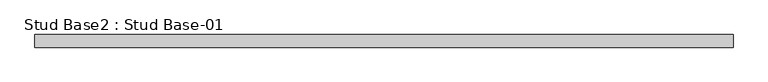
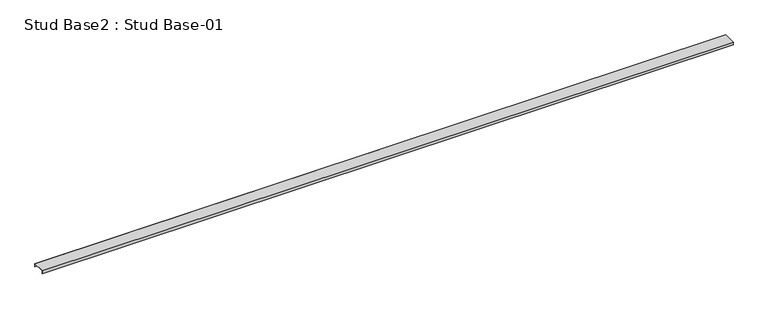
"""IFC4 building model written with IfcOpenShell, lengths in millimetres: proxy geometry, Stud Base2 : Stud Base-01."""

from ifc_helpers import new_model, si_unit, frame, origin, place, context, project, spatial, polyline, outline, extrude, source, transform, mapped, element, save


def stud_base2_stud_base_01_dd6a7f16(model_context):
    return source(origin(), model_context, "Body", "SweptSolid", [
        extrude(outline(polyline([(-487.1, 5950.0), (-487.1, 5913.0), (-488.6, 5913.0), (-488.6, 5948.0), (-639.6109375, 5948.0), (-639.6109375, 5913.0), (-641.1109375, 5913.0), (-641.1109375, 5950.0), (-487.1, 5950.0)])), frame((-13774.1749894, 0.0, 0.0), z_axis=(1.0, 0.0, 0.0), x_axis=(0.0, 1.0, 0.0)), (0.0, 0.0, 1.0), 8540.0),
    ])


if __name__ == "__main__":
    model = new_model("IFC4")
    model_context = context("Model", 3, world=origin())
    ifc_project = project(units=[si_unit("LENGTHUNIT", "METRE", prefix="MILLI")], contexts=[model_context])
    site = spatial("IfcSite", under=ifc_project)
    building = spatial("IfcBuilding", under=site)
    placement = place(None, origin())
    stud_base2_stud_base_01_shape = stud_base2_stud_base_01_dd6a7f16(model_context)
    element("IfcBuildingElementProxy", 1, Name="Stud Base2 : Stud Base-01", ObjectType="Stud Base2 : Stud Base-01", at=placement, inside=building, context=model_context, shape_type="MappedRepresentation", body=[
        mapped(stud_base2_stud_base_01_shape, transform((0.0, 0.0, 0.0), x_axis=(1.0, 0.0, 0.0), y_axis=(0.0, 1.0, 0.0), z_axis=(0.0, 0.0, 1.0))),
    ])
    save(model, "model.ifc")
